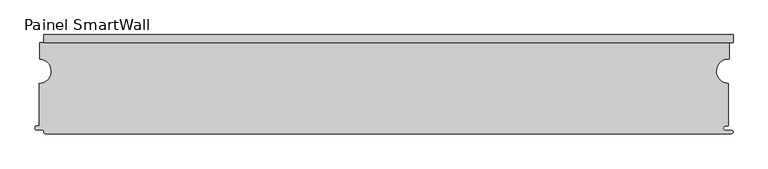
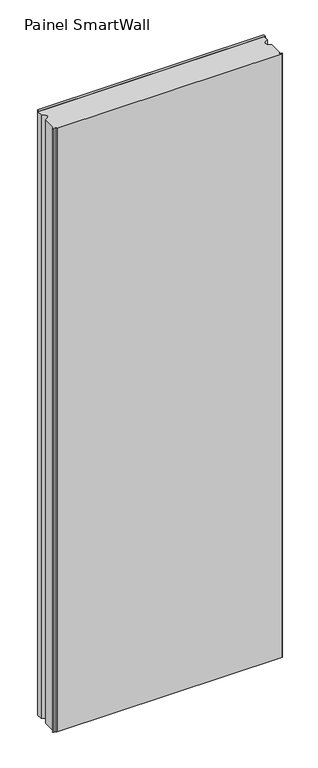
"""IFC4 building model written with IfcOpenShell, lengths in millimetres: proxy geometry, Painel SmartWall."""

from ifc_helpers import new_model, si_unit, frame, origin, origin_with_axes, place, context, project, spatial, polyline, circle_curve, outline, extrude, source, transform, mapped, element, save
from ifc_brep_helpers import plane_surface, cylinder_surface, revolved_surface, advanced_brep


def painel_smartwall_9240bfa5(model_context):
    return source(origin(), model_context, "Body", "SolidModel", [
        extrude(outline(polyline([(572.5476627, 87.5), (572.5476627, 75.0), (-557.3296463, 75.0), (-557.3296463, 87.5), (572.5476627, 87.5)])), origin_with_axes(), (0.0, 0.0, 1.0), 3183.880607),
        advanced_brep(
        [(-568.6450696, -62.2050825, 3183.880607), (-568.6450696, -69.1188783, 3183.880607), (-558.8296463, -69.1188783, 3183.880607), (-557.3296463, -70.6188783, 3183.880607), (-557.3296463, -72.5, 3183.880607), (-554.8296463, -75.0, 3183.880607), (569.840159, -75.0, 3183.880607), (572.5476627, -72.1500016, 3183.880607), (569.8401627, -69.2999998, 3183.880607), (560.0476622, -69.2999998, 3183.880607), (559.4398936, -62.3531727, 3183.880607), (565.0, -62.3531727, 3183.880607), (565.0, 7.4999972, 3183.880607), (566.1221557, 47.6227902, 3183.880607), (566.1221557, 75.0, 3183.880607), (-563.9, 75.0, 3183.880607), (-563.9, 47.615849, 3183.880607), (-565.0, 7.5053016, 3183.880607), (-565.0, -62.2050825, 3183.880607), (-568.6450696, -62.2050825, 0.0), (-565.0, -62.2050825, 0.0), (-565.0, 7.5053016, 0.0), (-563.9, 47.615849, 0.0), (-563.9, 75.0, 0.0), (566.1221557, 75.0, 0.0), (566.1221557, 47.6227902, 0.0), (565.0, 7.4999972, 0.0), (565.0, -62.3531727, 0.0), (559.4398936, -62.3531727, 0.0), (560.0476622, -69.2999998, 0.0), (569.8401627, -69.2999998, 0.0), (572.5476627, -72.1500016, 0.0), (569.840159, -75.0, 0.0), (-554.8296463, -75.0, 0.0), (-557.3296463, -72.5, 0.0), (-557.3296463, -70.6188783, 0.0), (-558.8296463, -69.1188783, 0.0), (-568.6450696, -69.1188783, 0.0)],
        [
            (0, 1, circle_curve(frame((-568.6450696, -65.6619804, 3183.880607), z_axis=(0.0, 0.0, 1.0), x_axis=(1.0, 0.0, 0.0)), 3.4568979)),
            (1, 2),
            (2, 3, circle_curve(frame((-558.8296463, -70.6188783, 3183.880607), z_axis=(0.0, 0.0, -1.0), x_axis=(1.0, 0.0, 0.0)), 1.5)),
            (3, 4),
            (4, 5, circle_curve(frame((-554.8296463, -72.5, 3183.880607), z_axis=(0.0, 0.0, 1.0), x_axis=(1.0, 0.0, 0.0)), 2.5)),
            (5, 6),
            (6, 7, circle_curve(frame((569.6939127, -72.1499998, 3183.880607), z_axis=(0.0, 0.0, 1.0), x_axis=(1.0, 0.0, 0.0)), 2.85375)),
            (7, 8, circle_curve(frame((569.6939127, -72.1499998, 3183.880607), z_axis=(0.0, 0.0, 1.0), x_axis=(1.0, 0.0, 0.0)), 2.85375)),
            (8, 9),
            (9, 10, circle_curve(frame((560.0476622, -65.7999998, 3183.880607), z_axis=(0.0, 0.0, -1.0), x_axis=(1.0, 0.0, 0.0)), 3.5)),
            (10, 11),
            (11, 12),
            (12, 13, circle_curve(frame((565.0746341, 27.5749986, 3183.880607), z_axis=(0.0, 0.0, -1.0), x_axis=(1.0, 0.0, 0.0)), 20.0751401)),
            (13, 14),
            (14, 15),
            (15, 16),
            (16, 17, circle_curve(frame((-565.0726436, 27.5776508, 3183.880607), z_axis=(0.0, 0.0, -1.0), x_axis=(1.0, 0.0, 0.0)), 20.0724806)),
            (17, 18),
            (18, 0),
            (19, 20),
            (20, 21),
            (21, 22, circle_curve(frame((-565.0726436, 27.5776508, 0.0), z_axis=(0.0, 0.0, 1.0), x_axis=(1.0, 0.0, 0.0)), 20.0724806)),
            (22, 23),
            (23, 24),
            (24, 25),
            (25, 26, circle_curve(frame((565.0746341, 27.5749986, 0.0), z_axis=(0.0, 0.0, 1.0), x_axis=(1.0, 0.0, 0.0)), 20.0751401)),
            (26, 27),
            (27, 28),
            (28, 29, circle_curve(frame((560.0476622, -65.7999998, 0.0), z_axis=(0.0, 0.0, 1.0), x_axis=(1.0, 0.0, 0.0)), 3.5)),
            (29, 30),
            (30, 31, circle_curve(frame((569.6939127, -72.1499998, 0.0), z_axis=(0.0, 0.0, -1.0), x_axis=(1.0, 0.0, 0.0)), 2.85375)),
            (31, 32, circle_curve(frame((569.6939127, -72.1499998, 0.0), z_axis=(0.0, 0.0, -1.0), x_axis=(1.0, 0.0, 0.0)), 2.85375)),
            (32, 33),
            (33, 34, circle_curve(frame((-554.8296463, -72.5, 0.0), z_axis=(0.0, 0.0, -1.0), x_axis=(1.0, 0.0, 0.0)), 2.5)),
            (34, 35),
            (35, 36, circle_curve(frame((-558.8296463, -70.6188783, 0.0), z_axis=(0.0, 0.0, 1.0), x_axis=(1.0, 0.0, 0.0)), 1.5)),
            (36, 37),
            (37, 19, circle_curve(frame((-568.6450696, -65.6619804, 0.0), z_axis=(0.0, 0.0, -1.0), x_axis=(1.0, 0.0, 0.0)), 3.4568979)),
            (0, 19),
            (37, 1),
            (36, 2),
            (35, 3),
            (34, 4),
            (33, 5),
            (32, 6),
            (30, 8),
            (29, 9),
            (28, 10),
            (27, 11),
            (26, 12),
            (25, 13),
            (24, 14),
            (23, 15),
            (16, 22),
            (21, 17),
            (20, 18),
        ],
        [
            plane_surface(frame((-565.1881717, -65.6619804, 3183.880607), z_axis=(0.0, 0.0, 1.0), x_axis=(0.0, 1.0, 0.0))),
            plane_surface(frame((-565.1881717, -65.6619804, 0.0), z_axis=(0.0, 0.0, -1.0), x_axis=(0.0, -1.0, 0.0))),
            cylinder_surface(frame((-568.6450696, -65.6619804, 0.0), z_axis=(0.0, 0.0, 1.0), x_axis=(1.0, 0.0, 0.0)), 3.4568979),
            plane_surface(frame((-568.6450696, -69.1188783, 3183.880607), z_axis=(0.0, -1.0, 0.0), x_axis=(0.0, 0.0, -1.0))),
            revolved_surface(polyline([(-557.3296463, -70.6188783, 0.0), (-557.3296463, -70.6188783, 3183.880607)]), (-558.8296463, -70.6188783, 0.0), (0.0, 0.0, -1.0)),
            plane_surface(frame((-557.3296463, -70.6188783, 3183.880607), z_axis=(-1.0, 0.0, 0.0), x_axis=(0.0, 0.0, -1.0))),
            cylinder_surface(frame((-554.8296463, -72.5, 0.0), z_axis=(0.0, 0.0, 1.0), x_axis=(1.0, 0.0, 0.0)), 2.5),
            plane_surface(frame((-554.8296463, -75.0, 3183.880607), z_axis=(0.0, -1.0, 0.0), x_axis=(0.0, 0.0, -1.0))),
            cylinder_surface(frame((569.6939127, -72.1499998, 0.0), z_axis=(0.0, 0.0, 1.0), x_axis=(1.0, 0.0, 0.0)), 2.85375),
            plane_surface(frame((569.8401627, -69.2999998, 3183.880607), z_axis=(0.0, 1.0, 0.0), x_axis=(0.0, 0.0, -1.0))),
            revolved_surface(polyline([(563.5476622, -65.7999998, 0.0), (563.5476622, -65.7999998, 3183.880607)]), (560.0476622, -65.7999998, 0.0), (0.0, 0.0, -1.0)),
            plane_surface(frame((559.4398936, -62.3531727, 3183.880607), z_axis=(0.0, -1.0, 0.0), x_axis=(0.0, 0.0, -1.0))),
            plane_surface(frame((565.0, -62.3531727, 3183.880607), z_axis=(1.0, 0.0, 0.0), x_axis=(0.0, 0.0, -1.0))),
            revolved_surface(polyline([(585.1497742, 27.5749986, 0.0), (585.1497742, 27.5749986, 3183.880607)]), (565.0746341, 27.5749986, 0.0), (0.0, 0.0, -1.0)),
            plane_surface(frame((566.1221557, 47.6227902, 3183.880607), z_axis=(1.0, 0.0, 0.0), x_axis=(0.0, 0.0, -1.0))),
            plane_surface(frame((566.1221557, 75.0, 3183.880607), z_axis=(0.0, 1.0, 0.0), x_axis=(0.0, 0.0, -1.0))),
            revolved_surface(polyline([(-545.000163, 27.5776508, 0.0), (-545.000163, 27.5776508, 3183.880607)]), (-565.0726436, 27.5776508, 0.0), (0.0, 0.0, -1.0)),
            plane_surface(frame((-565.0, 7.5053016, 3183.880607), z_axis=(-1.0, 0.0, 0.0), x_axis=(0.0, 0.0, -1.0))),
            plane_surface(frame((-565.0, -62.2050825, 3183.880607), z_axis=(0.0, 1.0, 0.0), x_axis=(0.0, 0.0, -1.0))),
            plane_surface(frame((-563.9, 75.0, 3183.880607), z_axis=(-1.0, 0.0, 0.0), x_axis=(0.0, 0.0, -1.0))),
        ],
        [
            (0, [[1, 2, 3, 4, 5, 6, 7, 8, 9, 10, 11, 12, 13, 14, 15, 16, 17, 18, 19]]),
            (1, [[20, 21, 22, 23, 24, 25, 26, 27, 28, 29, 30, 31, 32, 33, 34, 35, 36, 37, 38]]),
            (2, [[-1, 39, -38, 40]]),
            (3, [[-2, -40, -37, 41]]),
            (4, [[-3, -41, -36, 42]]),
            (5, [[-4, -42, -35, 43]]),
            (6, [[-5, -43, -34, 44]]),
            (7, [[-6, -44, -33, 45]]),
            (8, [[-45, -32, -31, 46, -8, -7]]),
            (9, [[-9, -46, -30, 47]]),
            (10, [[-10, -47, -29, 48]]),
            (11, [[-11, -48, -28, 49]]),
            (12, [[-12, -49, -27, 50]]),
            (13, [[-13, -50, -26, 51]]),
            (14, [[-14, -51, -25, 52]]),
            (15, [[-15, -52, -24, 53]]),
            (16, [[-17, 54, -22, 55]]),
            (17, [[-18, -55, -21, 56]]),
            (18, [[-19, -56, -20, -39]]),
            (19, [[-16, -53, -23, -54]]),
        ],
    ),
    ])


if __name__ == "__main__":
    model = new_model("IFC4")
    model_context = context("Model", 3, world=origin())
    ifc_project = project(units=[si_unit("LENGTHUNIT", "METRE", prefix="MILLI")], contexts=[model_context])
    site = spatial("IfcSite", under=ifc_project)
    building = spatial("IfcBuilding", under=site)
    placement = place(None, origin())
    painel_smartwall_shape = painel_smartwall_9240bfa5(model_context)
    element("IfcBuildingElementProxy", 1, Name="Painel SmartWall", ObjectType="Painel SmartWall", at=placement, inside=building, context=model_context, shape_type="MappedRepresentation", body=[
        mapped(painel_smartwall_shape, transform((0.0, 0.0, 0.0), x_axis=(1.0, 0.0, 0.0), y_axis=(0.0, 1.0, 0.0), z_axis=(0.0, 0.0, 1.0))),
    ])
    save(model, "model.ifc")
